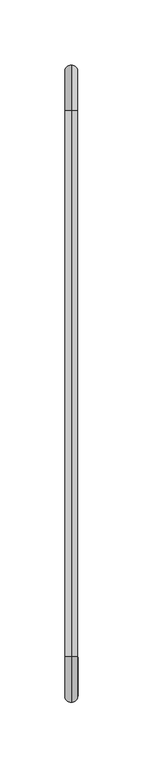
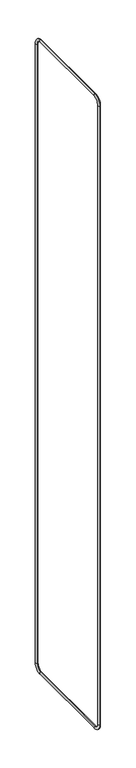
"""IFC4 building model written with IfcOpenShell, lengths in millimetres: beam geometry."""

import ifcopenshell
import ifcopenshell.guid

model = None  # the IFC model being written
_history = None  # IfcOwnerHistory: only IFC2X3 demands one
_inside = {}  # id of a spatial element -> (the spatial element, [elements in it])
_under = {}  # id of a project, library or spatial element -> (it, [spatial elements below it])
_declared = {}  # id of a project -> (the project, [libraries it declares])
_typed = {}  # id of a type object -> (the type object, [elements of that type])
_made_of = {}  # id of a material, layer set ... -> (it, [elements and type objects made of it])


def new_model(schema):
    """Start an empty IFC model of exactly this schema.

    Asked for "IFC4X3", IfcOpenShell would pick the latest addendum, in which some entities
    have other attributes; the version numbers below select the first issue.
    IFC2X3 requires an IfcOwnerHistory on every rooted entity: one is made here for all.
    """
    global model, _history
    if schema == "IFC4X3":
        model = ifcopenshell.file(schema_version=(4, 3, 0, 0))
    else:
        model = ifcopenshell.file(schema=schema)
    _inside.clear()
    _under.clear()
    _declared.clear()
    _typed.clear()
    _made_of.clear()
    _history = None
    if model.schema == "IFC2X3":
        org = make("IfcOrganization", Name="unknown")
        user = make(
            "IfcPersonAndOrganization",
            ThePerson=make("IfcPerson", FamilyName="unknown"),
            TheOrganization=org,
        )
        app = make(
            "IfcApplication",
            ApplicationDeveloper=org,
            Version="unknown",
            ApplicationFullName="unknown",
            ApplicationIdentifier="unknown",
        )
        _history = make(
            "IfcOwnerHistory",
            OwningUser=user,
            OwningApplication=app,
            ChangeAction="ADDED",
            CreationDate=0,
        )
    return model


def make(cls, **values):
    """One entity of the class cls with the attributes given. An attribute that is None is left unset."""
    return model.create_entity(
        cls, **{name: value for name, value in values.items() if value is not None}
    )


def rooted(cls, **values):
    """An entity with a GlobalId (a new one), such as an element, a storey or a relation."""
    return make(cls, GlobalId=ifcopenshell.guid.new(), OwnerHistory=_history, **values)


def si_unit(unit_type, name, prefix=None):
    """IfcSIUnit, for example si_unit("LENGTHUNIT", "METRE", prefix="MILLI")."""
    return make("IfcSIUnit", UnitType=unit_type, Prefix=prefix, Name=name)


def assignment(units):
    """IfcUnitAssignment: the units of a project."""
    return None if units is None else make("IfcUnitAssignment", Units=units)


def point(xyz):
    """IfcCartesianPoint."""
    return None if xyz is None else make("IfcCartesianPoint", Coordinates=xyz)


def direction(xyz):
    """IfcDirection."""
    return None if xyz is None else make("IfcDirection", DirectionRatios=xyz)


def frame(location, z_axis=None, x_axis=None):
    """IfcAxis2Placement3D, a coordinate frame: its origin and axes. An axis left out is left unset."""
    return make(
        "IfcAxis2Placement3D",
        Location=point(location),
        Axis=direction(z_axis),
        RefDirection=direction(x_axis),
    )


def origin():
    """The frame at (0, 0, 0) with its axes left unset."""
    return frame((0.0, 0.0, 0.0))


def place(relative_to, where):
    """IfcLocalPlacement: puts the frame where relative to a parent placement (None: the world)."""
    return make(
        "IfcLocalPlacement", PlacementRelTo=relative_to, RelativePlacement=where
    )


def context(
    kind, dimensions, precision=None, world=None, true_north=None, identifier=None
):
    """IfcGeometricRepresentationContext, for example the 3D "Model" context."""
    return make(
        "IfcGeometricRepresentationContext",
        ContextIdentifier=identifier,
        ContextType=kind,
        CoordinateSpaceDimension=dimensions,
        Precision=precision,
        WorldCoordinateSystem=world,
        TrueNorth=true_north,
    )


def project(units=None, contexts=None):
    """IfcProject with its units and contexts."""
    return rooted(
        "IfcProject",
        Name="project",
        RepresentationContexts=contexts,
        UnitsInContext=assignment(units),
    )


def spatial(cls, under=None, at=None, **own):
    """A site, building, storey or space (cls), placed at a placement, below another one or the project."""
    s = rooted(cls, ObjectPlacement=at, **own)
    if under is not None:
        _under.setdefault(under.id(), (under, []))[1].append(s)
    return s


def circle_curve(where, radius):
    """IfcCircle in the frame where."""
    return make("IfcCircle", Position=where, Radius=radius)


def ellipse_curve(where, semi_axis1, semi_axis2):
    """IfcEllipse in the frame where."""
    return make(
        "IfcEllipse", Position=where, SemiAxis1=semi_axis1, SemiAxis2=semi_axis2
    )


def trimmed(basis, trim1, trim2, sense, master):
    """IfcTrimmedCurve: the piece of a basis curve between two trims."""
    return make(
        "IfcTrimmedCurve",
        BasisCurve=basis,
        Trim1=trim1,
        Trim2=trim2,
        SenseAgreement=sense,
        MasterRepresentation=master,
    )


def shape(context_of_items, identifier, shape_type, items):
    """IfcShapeRepresentation: the items that make up one representation, for example the "Body"."""
    return make(
        "IfcShapeRepresentation",
        ContextOfItems=context_of_items,
        RepresentationIdentifier=identifier,
        RepresentationType=shape_type,
        Items=items,
    )


def source(mapping_origin, context_of_items, identifier, shape_type, items):
    """IfcRepresentationMap: a shape defined once, which mapped items show again and again."""
    return make(
        "IfcRepresentationMap",
        MappingOrigin=mapping_origin,
        MappedRepresentation=shape(context_of_items, identifier, shape_type, items),
    )


def transform(
    local_origin,
    x_axis=None,
    y_axis=None,
    z_axis=None,
    scale=None,
    scale2=None,
    scale3=None,
    uniform=True,
):
    """IfcCartesianTransformationOperator3D, or its non-uniform kind. x_axis, y_axis, z_axis: its Axis1, 2, 3."""
    if uniform:
        return make(
            "IfcCartesianTransformationOperator3D",
            Axis1=direction(x_axis),
            Axis2=direction(y_axis),
            LocalOrigin=point(local_origin),
            Scale=scale,
            Axis3=direction(z_axis),
        )
    return make(
        "IfcCartesianTransformationOperator3DnonUniform",
        Axis1=direction(x_axis),
        Axis2=direction(y_axis),
        LocalOrigin=point(local_origin),
        Scale=scale,
        Axis3=direction(z_axis),
        Scale2=scale2,
        Scale3=scale3,
    )


def mapped(mapping_source, mapping_target):
    """IfcMappedItem: shows the shape of a source again, moved by a transform."""
    return make(
        "IfcMappedItem", MappingSource=mapping_source, MappingTarget=mapping_target
    )


def made_of(thing, what):
    """Note that an element or type object is made of a material, layer set ...; save() writes the relation."""
    if what is not None:
        _made_of.setdefault(what.id(), (what, []))[1].append(thing)
    return thing


def element(
    cls,
    number,
    at=None,
    inside=None,
    cuts=None,
    type_object=None,
    material=None,
    context=None,
    identifier="Body",
    shape_type=None,
    held_by="IfcProductDefinitionShape",
    body=None,
    shapes=None,
    **own,
):
    """One element of the class cls, such as IfcWall. Its Tag is "e" and its number.

    at: its placement. inside: the storey or other place that contains it. cuts: it is an
    opening in that element (IfcRelVoidsElement). A single representation is given by context,
    identifier, shape_type and body (its items); several are given by shapes. held_by: the class
    of the entity that holds the representations. save() writes the other relations.
    """
    e = rooted(cls, Tag="e%d" % number, ObjectPlacement=at, **own)
    if body is not None:
        shapes = [shape(context, identifier, shape_type, body)]
    if shapes is not None:
        e.Representation = make(held_by, Representations=shapes)
    if inside is not None:
        _inside.setdefault(inside.id(), (inside, []))[1].append(e)
    if cuts is not None:
        rooted(
            "IfcRelVoidsElement", RelatingBuildingElement=cuts, RelatedOpeningElement=e
        )
    if type_object is not None:
        _typed.setdefault(type_object.id(), (type_object, []))[1].append(e)
    return made_of(e, material)


def aggregate(whole, parts):
    """IfcRelAggregates: a whole, such as a stair, and the parts it consists of."""
    return rooted("IfcRelAggregates", RelatingObject=whole, RelatedObjects=parts)


def save(model, path):
    """Write the relations noted so far, then the file.

    IfcRelAggregates (storeys below a building ...), IfcRelContainedInSpatialStructure (elements
    in a storey), IfcRelDefinesByType, IfcRelAssociatesMaterial and IfcRelDeclares: one each for
    every whole, place, type object, material and project.
    """
    for whole, parts in _under.values():
        aggregate(whole, parts)
    for where, things in _inside.values():
        rooted(
            "IfcRelContainedInSpatialStructure",
            RelatedElements=things,
            RelatingStructure=where,
        )
    for kind, things in _typed.values():
        rooted("IfcRelDefinesByType", RelatedObjects=things, RelatingType=kind)
    for what, things in _made_of.values():
        rooted("IfcRelAssociatesMaterial", RelatedObjects=things, RelatingMaterial=what)
    for by, libraries in _declared.values():
        rooted("IfcRelDeclares", RelatingContext=by, RelatedDefinitions=libraries)
    model.write(path)


def cylinder_surface(at, radius):
    """IfcCylindricalSurface: all points at the distance radius from the z axis of the frame at."""
    return make("IfcCylindricalSurface", Position=at, Radius=radius)


def revolved_surface(curve, axis_point, axis_direction):
    """IfcSurfaceOfRevolution: the curve turned about the line through axis_point along axis_direction."""
    return make(
        "IfcSurfaceOfRevolution",
        SweptCurve=make("IfcArbitraryOpenProfileDef", ProfileType="CURVE", Curve=curve),
        AxisPosition=make("IfcAxis1Placement", Location=point(axis_point), Axis=direction(axis_direction)),
    )


def advanced_brep(points, edges, surfaces, faces):
    """IfcAdvancedBrep: a solid bounded by faces that lie on surfaces and meet in shared edges.

    An edge is (start, end): straight between two places in points (the first is 0);
    or (start, end, curve); or (start, end, curve, False) where it runs against its curve.
    A face is (place in surfaces, loops), or (place, loops, False) where it looks against
    its surface's normal. A loop lists edges by number (the first is 1), with a minus sign
    where the edge is run from its end to its start. The first loop is the outer one.
    """
    corners = [point(p) for p in points]
    vertices = [make("IfcVertexPoint", VertexGeometry=c) for c in corners]
    made = []
    for start, end, *more in edges:
        made.append(
            make(
                "IfcEdgeCurve",
                EdgeStart=vertices[start],
                EdgeEnd=vertices[end],
                EdgeGeometry=more[0] if more else make("IfcPolyline", Points=[corners[start], corners[end]]),
                SameSense=more[1] if len(more) > 1 else True,
            )
        )
    hull = []
    for where, loops, *sense in faces:
        bounds = []
        for j, loop in enumerate(loops):
            ring = [make("IfcOrientedEdge", EdgeElement=made[abs(k) - 1], Orientation=k > 0) for k in loop]
            bounds.append(
                make(
                    "IfcFaceOuterBound" if j == 0 else "IfcFaceBound",
                    Bound=make("IfcEdgeLoop", EdgeList=ring),
                    Orientation=True,
                )
            )
        hull.append(make("IfcAdvancedFace", Bounds=bounds, FaceSurface=surfaces[where], SameSense=sense[0] if sense else True))
    return make("IfcAdvancedBrep", Outer=make("IfcClosedShell", CfsFaces=hull))


def beam_7de246bb(model_context):
    return source(origin(), model_context, "Body", "AdvancedBrep", [
        advanced_brep(
        [(0.0, 30.0, 2982.5), (0.0, 30.0, 2972.5), (0.0, 5.0, 2947.5), (0.0, -5.0, 2947.5), (0.0, 450.0, 2982.5), (0.0, 450.0, 2972.5), (0.0, 485.0, 2947.5), (0.0, 475.0, 2947.5), (0.0, 485.0, 37.5), (0.0, 475.0, 37.5), (0.0, 450.0, 2.5), (0.0, 450.0, 12.5), (0.0, 30.0, 2.5), (0.0, 30.0, 12.5), (0.0, -5.0, 37.5), (0.0, 5.0, 37.5)],
        [
            (0, 1, circle_curve(frame((0.0, 30.0, 2977.5), z_axis=(0.0, -1.0, 0.0), x_axis=(0.0, 0.0, -1.0)), 5.0)),
            (1, 2, circle_curve(frame((0.0, 30.0, 2947.5), z_axis=(1.0, 0.0, 0.0), x_axis=(0.0, -1.0, 0.0)), 25.0)),
            (2, 3, circle_curve(frame((0.0, 0.0, 2947.5), z_axis=(0.0, 0.0, 1.0), x_axis=(0.0, 1.0, 0.0)), 5.0)),
            (3, 0, circle_curve(frame((0.0, 30.0, 2947.5), z_axis=(-1.0, 0.0, 0.0), x_axis=(0.0, -1.0, 0.0)), 35.0)),
            (1, 0, circle_curve(frame((0.0, 30.0, 2977.5), z_axis=(0.0, -1.0, 0.0), x_axis=(0.0, 0.0, -1.0)), 5.0)),
            (3, 2, circle_curve(frame((0.0, 0.0, 2947.5), z_axis=(0.0, 0.0, 1.0), x_axis=(0.0, 1.0, 0.0)), 5.0)),
            (0, 4),
            (4, 5, circle_curve(frame((0.0, 450.0, 2977.5), z_axis=(0.0, -1.0, 0.0), x_axis=(0.0, 0.0, -1.0)), 5.0)),
            (5, 1),
            (5, 4, circle_curve(frame((0.0, 450.0, 2977.5), z_axis=(0.0, -1.0, 0.0), x_axis=(0.0, 0.0, -1.0)), 5.0)),
            (6, 7, circle_curve(frame((0.0, 480.0, 2947.5), z_axis=(0.0, 0.0, 1.0), x_axis=(0.0, -1.0, 0.0)), 5.0)),
            (7, 5, circle_curve(frame((0.0, 450.0, 2947.5), z_axis=(1.0, 0.0, 0.0), x_axis=(0.0, 0.0, 1.0)), 25.0)),
            (4, 6, circle_curve(frame((0.0, 450.0, 2947.5), z_axis=(-1.0, 0.0, 0.0), x_axis=(0.0, 0.0, 1.0)), 35.0)),
            (7, 6, circle_curve(frame((0.0, 480.0, 2947.5), z_axis=(0.0, 0.0, 1.0), x_axis=(0.0, -1.0, 0.0)), 5.0)),
            (6, 8),
            (8, 9, circle_curve(frame((0.0, 480.0, 37.5), z_axis=(0.0, 0.0, 1.0), x_axis=(0.0, -1.0, 0.0)), 5.0)),
            (9, 7),
            (9, 8, circle_curve(frame((0.0, 480.0, 37.5), z_axis=(0.0, 0.0, 1.0), x_axis=(0.0, -1.0, 0.0)), 5.0)),
            (10, 11, circle_curve(frame((0.0, 450.0, 7.5), z_axis=(0.0, 1.0, 0.0), x_axis=(0.0, 0.0, 1.0)), 5.0)),
            (11, 9, circle_curve(frame((0.0, 450.0, 37.5), z_axis=(1.0, 0.0, 0.0), x_axis=(0.0, 1.0, 0.0)), 25.0)),
            (8, 10, circle_curve(frame((0.0, 450.0, 37.5), z_axis=(-1.0, 0.0, 0.0), x_axis=(0.0, 1.0, 0.0)), 35.0)),
            (11, 10, circle_curve(frame((0.0, 450.0, 7.5), z_axis=(0.0, 1.0, 0.0), x_axis=(0.0, 0.0, 1.0)), 5.0)),
            (10, 12),
            (12, 13, circle_curve(frame((0.0, 30.0, 7.5), z_axis=(0.0, 1.0, 0.0), x_axis=(0.0, 0.0, 1.0)), 5.0)),
            (13, 11),
            (13, 12, circle_curve(frame((0.0, 30.0, 7.5), z_axis=(0.0, 1.0, 0.0), x_axis=(0.0, 0.0, 1.0)), 5.0)),
            (14, 15, circle_curve(frame((0.0, 0.0, 37.5), z_axis=(0.0, 0.0, -1.0), x_axis=(0.0, 1.0, 0.0)), 5.0)),
            (15, 13, circle_curve(frame((0.0, 30.0, 37.5), z_axis=(1.0, 0.0, 0.0), x_axis=(0.0, 0.0, -1.0)), 25.0)),
            (12, 14, circle_curve(frame((0.0, 30.0, 37.5), z_axis=(-1.0, 0.0, 0.0), x_axis=(0.0, 0.0, -1.0)), 35.0)),
            (15, 14, circle_curve(frame((0.0, 0.0, 37.5), z_axis=(0.0, 0.0, -1.0), x_axis=(0.0, 1.0, 0.0)), 5.0)),
            (14, 3),
            (2, 15),
        ],
        [
            revolved_surface(trimmed(ellipse_curve(frame((0.0, 0.0, 2947.5), z_axis=(0.0, 0.0, 1.0), x_axis=(0.0, 1.0, 0.0)), 5.0, 5.0), [point((0.0, 5.0, 2947.5))], [point((0.0, -5.0, 2947.5))], True, "CARTESIAN"), (0.0, 30.0, 2947.5), (1.0, 0.0, 0.0)),
            revolved_surface(trimmed(ellipse_curve(frame((0.0, 0.0, 2947.5), z_axis=(0.0, 0.0, 1.0), x_axis=(0.0, 1.0, 0.0)), 5.0, 5.0), [point((0.0, -5.0, 2947.5))], [point((0.0, 5.0, 2947.5))], True, "CARTESIAN"), (0.0, 30.0, 2947.5), (1.0, 0.0, 0.0)),
            cylinder_surface(frame((0.0, 30.0, 2977.5), z_axis=(0.0, -1.0, 0.0), x_axis=(0.0, 0.0, -1.0)), 5.0),
            revolved_surface(trimmed(ellipse_curve(frame((0.0, 450.0, 2977.5), z_axis=(0.0, 1.0, 0.0), x_axis=(0.0, 0.0, -1.0)), 5.0, 5.0), [point((0.0, 450.0, 2972.5))], [point((0.0, 450.0, 2982.5))], True, "CARTESIAN"), (0.0, 450.0, 2947.5), (1.0, 0.0, 0.0)),
            revolved_surface(trimmed(ellipse_curve(frame((0.0, 450.0, 2977.5), z_axis=(0.0, 1.0, 0.0), x_axis=(0.0, 0.0, -1.0)), 5.0, 5.0), [point((0.0, 450.0, 2982.5))], [point((0.0, 450.0, 2972.5))], True, "CARTESIAN"), (0.0, 450.0, 2947.5), (1.0, 0.0, 0.0)),
            cylinder_surface(frame((0.0, 480.0, 2947.5), z_axis=(0.0, 0.0, 1.0), x_axis=(0.0, -1.0, 0.0)), 5.0),
            revolved_surface(trimmed(ellipse_curve(frame((0.0, 480.0, 37.5), z_axis=(0.0, 0.0, -1.0), x_axis=(0.0, -1.0, 0.0)), 5.0, 5.0), [point((0.0, 475.0, 37.5))], [point((0.0, 485.0, 37.5))], True, "CARTESIAN"), (0.0, 450.0, 37.5), (1.0, 0.0, 0.0)),
            revolved_surface(trimmed(ellipse_curve(frame((0.0, 480.0, 37.5), z_axis=(0.0, 0.0, -1.0), x_axis=(0.0, -1.0, 0.0)), 5.0, 5.0), [point((0.0, 485.0, 37.5))], [point((0.0, 475.0, 37.5))], True, "CARTESIAN"), (0.0, 450.0, 37.5), (1.0, 0.0, 0.0)),
            cylinder_surface(frame((0.0, 450.0, 7.5), z_axis=(0.0, 1.0, 0.0), x_axis=(0.0, 0.0, 1.0)), 5.0),
            revolved_surface(trimmed(ellipse_curve(frame((0.0, 30.0, 7.5), z_axis=(0.0, -1.0, 0.0), x_axis=(0.0, 0.0, 1.0)), 5.0, 5.0), [point((0.0, 30.0, 12.5))], [point((0.0, 30.0, 2.5))], True, "CARTESIAN"), (0.0, 30.0, 37.5), (1.0, 0.0, 0.0)),
            revolved_surface(trimmed(ellipse_curve(frame((0.0, 30.0, 7.5), z_axis=(0.0, -1.0, 0.0), x_axis=(0.0, 0.0, 1.0)), 5.0, 5.0), [point((0.0, 30.0, 2.5))], [point((0.0, 30.0, 12.5))], True, "CARTESIAN"), (0.0, 30.0, 37.5), (1.0, 0.0, 0.0)),
            cylinder_surface(frame((0.0, 0.0, 37.5), z_axis=(0.0, 0.0, -1.0), x_axis=(0.0, 1.0, 0.0)), 5.0),
        ],
        [
            (0, [[1, 2, 3, 4]]),
            (1, [[5, -4, 6, -2]]),
            (2, [[7, 8, 9, -1]]),
            (2, [[-9, 10, -7, -5]]),
            (3, [[11, 12, -8, 13]]),
            (4, [[14, -13, -10, -12]]),
            (5, [[15, 16, 17, -11]]),
            (5, [[-17, 18, -15, -14]]),
            (6, [[19, 20, -16, 21]]),
            (7, [[22, -21, -18, -20]]),
            (8, [[23, 24, 25, -19]]),
            (8, [[-25, 26, -23, -22]]),
            (9, [[27, 28, -24, 29]]),
            (10, [[30, -29, -26, -28]]),
            (11, [[31, -3, 32, -27]]),
            (11, [[-32, -6, -31, -30]]),
        ],
    ),
    ])


if __name__ == "__main__":
    model = new_model("IFC4")
    model_context = context("Model", 3, world=origin())
    ifc_project = project(units=[si_unit("LENGTHUNIT", "METRE", prefix="MILLI")], contexts=[model_context])
    site = spatial("IfcSite", under=ifc_project)
    building = spatial("IfcBuilding", under=site)
    placement = place(None, origin())
    beam_shape = beam_7de246bb(model_context)
    element("IfcBeam", 1, at=placement, inside=building, context=model_context, shape_type="MappedRepresentation", body=[
        mapped(beam_shape, transform((0.0, 0.0, 0.0), x_axis=(1.0, 0.0, 0.0), y_axis=(0.0, 1.0, 0.0), z_axis=(0.0, 0.0, 1.0))),
    ])
    save(model, "model.ifc")
